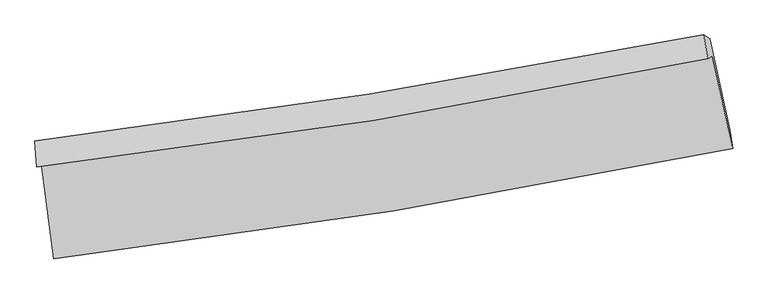
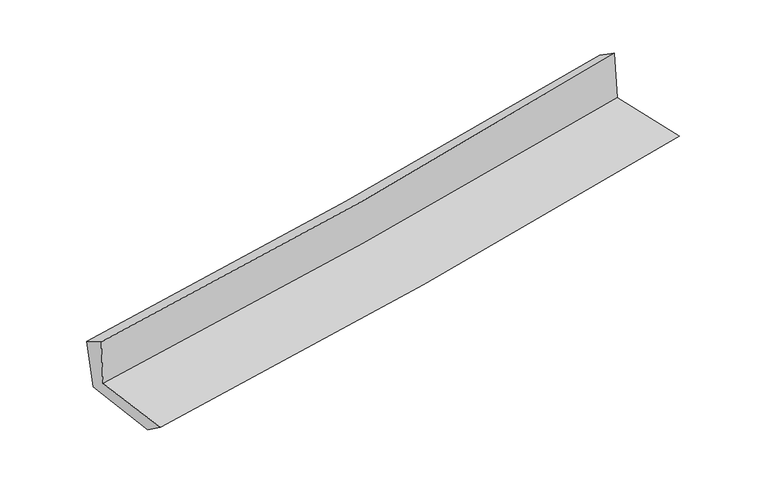
"""IFC4 building model written with IfcOpenShell, lengths in millimetres: proxy geometry."""

from ifc_helpers import new_model, si_unit, frame, origin, place, context, project, spatial, source, transform, mapped, element, save
from ifc_brep_helpers import plane_surface, spline_curve, spline_surface, advanced_brep


def generic_models_428c7e60(model_context):
    return source(origin(), model_context, "Body", "AdvancedBrep", [
        advanced_brep(
        [(-2383.1997041, -1857.2725366, 1675.9975937), (-2295.1168038, -2529.9467283, 1668.1520048), (2470.1296659, -1756.2103673, 2091.55756), (2328.758499, -1107.89818, 2089.5399219), (-2414.23335, -1887.0415422, 2071.0014959), (2294.5131567, -1123.3637564, 2499.8623032), (-2428.8448333, -1704.7083949, 1968.2796081), (2268.2104842, -957.0094261, 2390.5793986), (-2390.2864294, -1733.5611552, 1574.3058688), (2309.3959988, -984.5078553, 2006.8777007), (-2305.6495259, -2370.0721951, 1552.2892632), (2450.3955715, -1622.932175, 1989.4014791)],
        [
            (0, 1),
            (1, 2, spline_curve(3, [(-2295.1168038, -2529.9467283, 1668.1520048), (-1497.481651216, -2433.637102422, 1741.289213541), (-702.412054092, -2321.178420021, 1813.06837024), (886.02568949, -2063.406376265, 1954.215334917), (1679.371582197, -1917.95293843, 2023.571363441), (2470.1296659, -1756.2103673, 2091.55756)], [4, 2, 4], [0.0, 7.887683860381234, 15.809502661562366])),
            (2, 3),
            (3, 0, spline_curve(3, [(2328.758499, -1107.89818, 2089.5399219), (1546.198915766, -1263.633014598, 2024.764857565), (761.403308113, -1404.050126789, 1957.836417515), (-809.268654935, -1653.709855727, 1819.970456893), (-1595.1257813, -1763.084195761, 1749.0514546), (-2383.1997041, -1857.2725366, 1675.9975937)], [4, 2, 4], [0.0, 7.921818801181132, 15.809502661562366])),
            (4, 0),
            (3, 5),
            (5, 4, spline_curve(3, [(2294.5131567, -1123.3637564, 2499.8623032), (1513.982357029, -1286.190806035, 2427.449867496), (730.467749244, -1431.343474462, 2355.42892816), (-839.140078684, -1685.750747638, 2212.478692513), (-1625.207639718, -1795.157341146, 2141.546029282), (-2414.23335, -1887.0415422, 2071.0014959)], [4, 2, 4], [0.0, 7.87538717675777, 15.716839485551276])),
            (6, 4),
            (5, 7),
            (7, 6, spline_curve(3, [(2268.2104842, -957.0094261, 2390.5793986), (1487.905403172, -1109.315236273, 2321.035873634), (705.481888275, -1247.881319016, 2250.995407615), (-860.221434691, -1496.9961552, 2110.224537501), (-1643.483025855, -1607.663062125, 2039.498406584), (-2428.8448333, -1704.7083949, 1968.2796081)], [4, 2, 4], [0.0, 7.863572333410169, 15.69326070875295])),
            (8, 6),
            (7, 9),
            (9, 8, spline_curve(3, [(2309.3959988, -984.5078553, 2006.8777007), (1529.012807732, -1137.303705488, 1932.304718516), (746.330450198, -1276.227627841, 1858.895249811), (-820.25013089, -1525.792771099, 1714.714644604), (-1604.128582427, -1636.553281896, 1643.933502915), (-2390.2864294, -1733.5611552, 1574.3058688)], [4, 2, 4], [0.0, 7.854198461078457, 15.674553355896652])),
            (10, 8),
            (9, 11),
            (11, 10, spline_curve(3, [(2450.3955715, -1622.932175, 1989.4014791), (1659.841973488, -1772.034597326, 1914.164675837), (867.368198286, -1908.955663849, 1840.044012138), (-717.996679838, -2157.897585115, 1694.349538132), (-1510.871270611, -2270.023191889, 1622.766130056), (-2305.6495259, -2370.0721951, 1552.2892632)], [4, 2, 4], [0.0, 7.90276619491726, 15.77147954629072])),
            (1, 10),
            (11, 2),
        ],
        [
            spline_surface(3, 3, [[(-2383.1997041, -1857.2725366, 1675.9975937), (-1595.12578141, -1763.084195875, 1749.051454509), (-809.268654821, -1653.709855842, 1819.970456969), (761.403307998, -1404.050126674, 1957.836417439), (1546.198915757, -1263.633014524, 2024.764857671), (2328.758499, -1107.89818, 2089.5399219)], [(-2353.838737339, -2081.497267156, 1673.382397407), (-1562.577737982, -1986.601831376, 1746.464040888), (-773.649787905, -1876.199377233, 1817.669761365), (802.944101809, -1623.835543198, 1956.62938994), (1590.589804596, -1481.739655776, 2024.36702626), (2375.882221311, -1324.002242415, 2090.212467921)], [(-2324.477770561, -2305.721997744, 1670.767201093), (-1530.029694536, -2210.119466909, 1743.876627247), (-738.030920969, -2098.688898637, 1815.36906579), (844.484895639, -1843.620959734, 1955.422362471), (1634.980693402, -1699.846297085, 2023.969194885), (2423.005943589, -1540.106304885, 2090.885013979)], [(-2295.1168038, -2529.9467283, 1668.1520048), (-1497.481651109, -2433.63710241, 1741.289213626), (-702.412054053, -2321.178420029, 1813.068370186), (886.02568945, -2063.406376258, 1954.215334972), (1679.371582241, -1917.952938337, 2023.571363474), (2470.1296659, -1756.2103673, 2091.55756)]], [4, 4], [4, 2, 4], [0.0, 2.209457220818076], [0.0, 7.887683860381234, 15.809502661562366]),
            spline_surface(3, 3, [[(-2414.23335, -1887.0415422, 2071.0014959), (-1625.207639678, -1795.157341134, 2141.546029236), (-839.140078626, -1685.75074759, 2212.478692427), (730.467749185, -1431.34347451, 2355.428928246), (1513.982357061, -1286.190806146, 2427.449867456), (2294.5131567, -1123.3637564, 2499.8623032)], [(-2403.888801374, -1877.118540339, 1939.333528495), (-1615.180353596, -1784.46629272, 2010.714504322), (-829.182937367, -1675.070450341, 2081.642613952), (740.779602114, -1422.245691898, 2222.898091322), (1524.721209975, -1278.671542283, 2293.221530861), (2305.928270816, -1118.208564277, 2363.0881761)], [(-2393.544252726, -1867.195538461, 1807.665561105), (-1605.153067491, -1773.775244289, 1879.882979423), (-819.22579608, -1664.39015309, 1950.806535444), (751.091455069, -1413.147909285, 2090.367254364), (1535.460062843, -1271.152278387, 2158.993194266), (2317.343384884, -1113.053372123, 2226.314049)], [(-2383.1997041, -1857.2725366, 1675.9975937), (-1595.12578141, -1763.084195875, 1749.051454509), (-809.268654821, -1653.709855842, 1819.970456969), (761.403307998, -1404.050126674, 1957.836417439), (1546.198915757, -1263.633014524, 2024.764857671), (2328.758499, -1107.89818, 2089.5399219)]], [4, 4], [4, 2, 4], [0.0, 1.3036025818429549], [0.0, 7.841452308793506, 15.716839485551276]),
            spline_surface(3, 3, [[(-2428.8448333, -1704.7083949, 1968.2796081), (-1643.483025797, -1607.663062205, 2039.498406616), (-860.221434737, -1496.996155284, 2110.224537445), (705.481888322, -1247.881318931, 2250.995407671), (1487.90540311, -1109.315236259, 2321.03587367), (2268.2104842, -957.0094261, 2390.5793986)], [(-2423.974338877, -1765.486110675, 2002.520237347), (-1637.391230434, -1670.16115519, 2073.514280803), (-853.19431604, -1559.914352739, 2144.309255772), (713.810508603, -1309.03537081, 2285.806581196), (1496.597721077, -1168.273759553, 2356.507204926), (2276.978041684, -1012.460869532, 2427.00703346)], [(-2419.103844423, -1826.263826425, 2036.760866653), (-1631.299435041, -1732.659248149, 2107.530155049), (-846.167197323, -1622.832550135, 2178.3939741), (722.139128904, -1370.18942263, 2320.617754722), (1505.290039094, -1227.232282852, 2391.9785362), (2285.745599216, -1067.912312968, 2463.43466834)], [(-2414.23335, -1887.0415422, 2071.0014959), (-1625.207639678, -1795.157341134, 2141.546029236), (-839.140078626, -1685.75074759, 2212.478692427), (730.467749185, -1431.34347451, 2355.428928246), (1513.982357061, -1286.190806146, 2427.449867456), (2294.5131567, -1123.3637564, 2499.8623032)]], [4, 4], [4, 2, 4], [0.0, 0.702466913245876], [0.0, 7.829688375342781, 15.69326070875295]),
            spline_surface(3, 3, [[(-2390.2864294, -1733.5611552, 1574.3058688), (-1604.128582479, -1636.553281948, 1643.93350289), (-820.25013076, -1525.792771075, 1714.714644633), (746.330450067, -1276.227627864, 1858.895249782), (1529.012807746, -1137.303705441, 1932.304718638), (2309.3959988, -984.5078553, 2006.8777007)], [(-2403.139230683, -1723.943568434, 1705.630448583), (-1617.246730235, -1626.923208701, 1775.788470815), (-833.573898723, -1516.193899136, 1846.55127556), (732.714262849, -1266.778858211, 1989.595302401), (1515.310339543, -1127.974215713, 2061.881770317), (2295.667493942, -975.341712232, 2134.778266669)], [(-2415.992032017, -1714.325981666, 1836.955028317), (-1630.364878041, -1617.293135453, 1907.643438691), (-846.897666775, -1506.595027224, 1978.387906518), (719.098075541, -1257.330088584, 2120.295355051), (1501.607871314, -1118.644725987, 2191.45882199), (2281.938989058, -966.175569168, 2262.678832631)], [(-2428.8448333, -1704.7083949, 1968.2796081), (-1643.483025797, -1607.663062205, 2039.498406616), (-860.221434737, -1496.996155284, 2110.224537445), (705.481888322, -1247.881318931, 2250.995407671), (1487.90540311, -1109.315236259, 2321.03587367), (2268.2104842, -957.0094261, 2390.5793986)]], [4, 4], [4, 2, 4], [0.0, 1.3021503085839756], [0.0, 7.820354894818195, 15.674553355896652]),
            spline_surface(3, 3, [[(-2305.6495259, -2370.0721951, 1552.2892632), (-1510.871270577, -2270.023191794, 1622.766130043), (-717.996679854, -2157.897585062, 1694.3495382), (867.368198303, -1908.955663901, 1840.04401207), (1659.841973359, -1772.034597267, 1914.164675839), (2450.3955715, -1622.932175, 1989.4014791)], [(-2333.861827071, -2157.901848457, 1559.628131739), (-1541.957041215, -2058.86655517, 1629.821920998), (-752.081163509, -1947.195980411, 1701.137907024), (827.022282205, -1698.046318567, 1846.327757987), (1616.232251474, -1560.457633314, 1920.211356775), (2403.395713919, -1410.124068422, 1995.226886303)], [(-2362.074128229, -1945.731501843, 1566.967000261), (-1573.042811841, -1847.709918573, 1636.877711935), (-786.165647105, -1736.494375727, 1707.926275808), (786.676366166, -1487.136973199, 1852.611503865), (1572.622529632, -1348.880669395, 1926.258037702), (2356.395856381, -1197.315961878, 2001.052293497)], [(-2390.2864294, -1733.5611552, 1574.3058688), (-1604.128582479, -1636.553281948, 1643.93350289), (-820.25013076, -1525.792771075, 1714.714644633), (746.330450067, -1276.227627864, 1858.895249782), (1529.012807746, -1137.303705441, 1932.304718638), (2309.3959988, -984.5078553, 2006.8777007)]], [4, 4], [4, 2, 4], [0.0, 2.1079502731331683], [0.0, 7.868713351373461, 15.77147954629072]),
            spline_surface(3, 3, [[(-2295.1168038, -2529.9467283, 1668.1520048), (-1497.481651109, -2433.63710241, 1741.289213626), (-702.412054053, -2321.178420029, 1813.068370186), (886.02568945, -2063.406376258, 1954.215334972), (1679.371582241, -1917.952938337, 2023.571363474), (2470.1296659, -1756.2103673, 2091.55756)], [(-2298.627711155, -2476.655217239, 1629.531090928), (-1501.944857587, -2379.09913221, 1701.781519093), (-707.606929308, -2266.751475021, 1773.495426187), (879.806525746, -2011.922805453, 1916.158227334), (1672.861712609, -1869.313491335, 1987.102467609), (2463.551634429, -1711.784303221, 2057.505533046)], [(-2302.138618545, -2423.363706161, 1590.910177072), (-1506.408064099, -2324.561161994, 1662.273824576), (-712.801804599, -2212.32453007, 1733.922482199), (873.587362007, -1960.439234706, 1878.101119708), (1666.351842991, -1820.674044269, 1950.633571705), (2456.973602971, -1667.358239079, 2023.453506054)], [(-2305.6495259, -2370.0721951, 1552.2892632), (-1510.871270577, -2270.023191794, 1622.766130043), (-717.996679854, -2157.897585062, 1694.3495382), (867.368198303, -1908.955663901, 1840.04401207), (1659.841973359, -1772.034597267, 1914.164675839), (2450.3955715, -1622.932175, 1989.4014791)]], [4, 4], [4, 2, 4], [0.0, 0.6486011995422287], [0.0, 7.924213711155454, 15.88272045061985]),
            plane_surface(frame((2353.5672294, -1258.6536267, 2177.9697273), z_axis=(0.9730860072900426, 0.21246912211515628, 0.0892216036839613), x_axis=(-0.10645436531819409, 0.07107663600274834, 0.9917739560601666))),
            plane_surface(frame((-2369.5551078, -2013.7670921, 1751.6709724), z_axis=(-0.9878816794690204, -0.12833951183103287, -0.08728549176375103), x_axis=(-0.1298273110333802, 0.9914691867071997, 0.011563784847786963))),
        ],
        [
            (0, [[1, 2, 3, 4]]),
            (1, [[5, -4, 6, 7]]),
            (2, [[8, -7, 9, 10]]),
            (3, [[11, -10, 12, 13]]),
            (4, [[14, -13, 15, 16]]),
            (5, [[17, -16, 18, -2]]),
            (6, [[-12, -9, -6, -3, -18, -15]]),
            (7, [[-1, -5, -8, -11, -14, -17]]),
        ],
    ),
    ])


if __name__ == "__main__":
    model = new_model("IFC4")
    model_context = context("Model", 3, world=origin())
    ifc_project = project(units=[si_unit("LENGTHUNIT", "METRE", prefix="MILLI")], contexts=[model_context])
    site = spatial("IfcSite", under=ifc_project)
    building = spatial("IfcBuilding", under=site)
    placement = place(None, origin())
    generic_models_shape = generic_models_428c7e60(model_context)
    element("IfcBuildingElementProxy", 1, Name="Generic Models", at=placement, inside=building, context=model_context, shape_type="MappedRepresentation", body=[
        mapped(generic_models_shape, transform((0.0, 0.0, 0.0), x_axis=(1.0, 0.0, 0.0), y_axis=(0.0, 1.0, 0.0), z_axis=(0.0, 0.0, 1.0))),
    ])
    save(model, "model.ifc")
